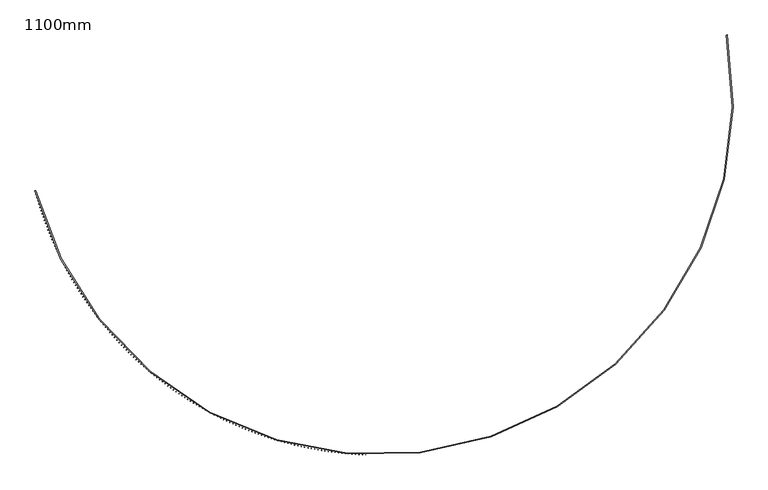
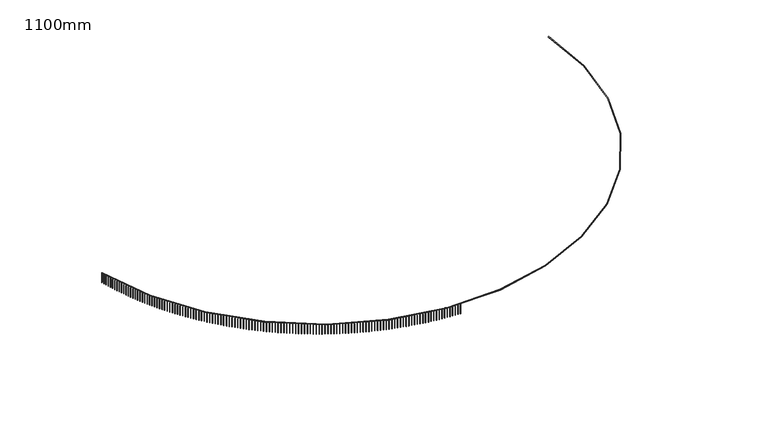
"""IFC4 building model written with IfcOpenShell, lengths in millimetres: railing geometry, 1100mm."""

from ifc_helpers import new_model, si_unit, point, frame, frame_2d, origin, place, context, project, spatial, polyline, circle_curve, trimmed, segment, composite_curve, outline, extrude, source, transform, mapped, element, save


def railing_1100mm_daf9e119(model_context):
    return source(origin(), model_context, "Body", "SweptSolid", [
        extrude(outline(composite_curve([segment(trimmed(circle_curve(frame_2d((-9136.8690583, -54154.7608855)), 28388.8165606), [point((-36585.4829825, -61400.3457034))], [point((18767.7276518, -48933.8042532))], True, "CARTESIAN"), True, "CONTINUOUS"), segment(polyline([(18767.7276518, -48933.8042532), (18816.8748162, -48924.6088071)]), True, "CONTINUOUS"), segment(trimmed(circle_curve(frame_2d((-9136.8690583, -54154.7608855)), 28438.8165606), [point((18816.8748162, -48924.6088071))], [point((-36633.8270441, -61413.1070399))], False, "CARTESIAN"), True, "CONTINUOUS"), segment(polyline([(-36633.8270441, -61413.1070399), (-36585.4829825, -61400.3457034)]), True, "CONTINUOUS")], self_intersect=False)), frame((0.0, 0.0, 32050.0), z_axis=(0.0, 0.0, 1.0), x_axis=(1.0, 0.0, 0.0)), (0.0, 0.0, 1.0), 50.0),
        extrude(outline(polyline([(-36591.3081731, -61427.223434), (-36615.4775056, -61433.6143155), (-36621.8683871, -61409.444983), (-36597.6990545, -61403.0541015), (-36591.3081731, -61427.223434)])), frame((0.0, 0.0, 31000.0), z_axis=(0.0, 0.0, 1.0), x_axis=(1.0, 0.0, 0.0)), (0.0, 0.0, 1.0), 1050.0),
        extrude(outline(polyline([(-36519.6377071, -61692.593449), (-36543.7440551, -61699.2179477), (-36550.3685538, -61675.1115996), (-36526.2622058, -61668.4871009), (-36519.6377071, -61692.593449)])), frame((0.0, 0.0, 31000.0), z_axis=(0.0, 0.0, 1.0), x_axis=(1.0, 0.0, 0.0)), (0.0, 0.0, 1.0), 1050.0),
        extrude(outline(polyline([(-36445.4022833, -61957.2573914), (-36469.4433889, -61964.1148868), (-36476.3008843, -61940.0737813), (-36452.2597788, -61933.2162858), (-36445.4022833, -61957.2573914)])), frame((0.0, 0.0, 31000.0), z_axis=(0.0, 0.0, 1.0), x_axis=(1.0, 0.0, 0.0)), (0.0, 0.0, 1.0), 1050.0),
        extrude(outline(polyline([(-36368.6088556, -62221.19047), (-36392.5824667, -62228.2803198), (-36399.6723165, -62204.3067087), (-36375.6987054, -62197.2168589), (-36368.6088556, -62221.19047)])), frame((0.0, 0.0, 31000.0), z_axis=(0.0, 0.0, 1.0), x_axis=(1.0, 0.0, 0.0)), (0.0, 0.0, 1.0), 1050.0),
        extrude(outline(polyline([(-36289.264617, -62484.3679621), (-36313.1684881, -62491.6895022), (-36320.4900282, -62467.7856312), (-36296.5861571, -62460.4640911), (-36289.264617, -62484.3679621)])), frame((0.0, 0.0, 31000.0), z_axis=(0.0, 0.0, 1.0), x_axis=(1.0, 0.0, 0.0)), (0.0, 0.0, 1.0), 1050.0),
        extrude(outline(polyline([(-36207.3769999, -62746.7652157), (-36231.2088918, -62754.3177603), (-36238.7614364, -62730.4858684), (-36214.9295445, -62722.9333238), (-36207.3769999, -62746.7652157)])), frame((0.0, 0.0, 31000.0), z_axis=(0.0, 0.0, 1.0), x_axis=(1.0, 0.0, 0.0)), (0.0, 0.0, 1.0), 1050.0),
        extrude(outline(polyline([(-36122.9536747, -63008.357652), (-36146.7113551, -63016.1404936), (-36154.4941967, -62992.3828132), (-36130.7365163, -62984.5999716), (-36122.9536747, -63008.357652)])), frame((0.0, 0.0, 31000.0), z_axis=(0.0, 0.0, 1.0), x_axis=(1.0, 0.0, 0.0)), (0.0, 0.0, 1.0), 1050.0),
        extrude(outline(polyline([(-36036.0025494, -63269.1207673), (-36059.6837929, -63277.1331769), (-36067.6962025, -63253.4519335), (-36044.014959, -63245.4395239), (-36036.0025494, -63269.1207673)])), frame((0.0, 0.0, 31000.0), z_axis=(0.0, 0.0, 1.0), x_axis=(1.0, 0.0, 0.0)), (0.0, 0.0, 1.0), 1050.0),
        extrude(outline(polyline([(-35946.5317687, -63529.030136), (-35970.1343571, -63537.2713631), (-35978.3755841, -63513.6687748), (-35954.7729958, -63505.4275477), (-35946.5317687, -63529.030136)])), frame((0.0, 0.0, 31000.0), z_axis=(0.0, 0.0, 1.0), x_axis=(1.0, 0.0, 0.0)), (0.0, 0.0, 1.0), 1050.0),
        extrude(outline(polyline([(-35854.5497134, -63788.0614122), (-35878.0714358, -63796.5306848), (-35886.5407084, -63773.0089625), (-35863.018986, -63764.5396899), (-35854.5497134, -63788.0614122)])), frame((0.0, 0.0, 31000.0), z_axis=(0.0, 0.0, 1.0), x_axis=(1.0, 0.0, 0.0)), (0.0, 0.0, 1.0), 1050.0),
        extrude(outline(polyline([(-35760.0649996, -64046.1903323), (-35783.5036526, -64054.8868571), (-35792.2001774, -64031.448204), (-35768.7615243, -64022.7516793), (-35760.0649996, -64046.1903323)])), frame((0.0, 0.0, 31000.0), z_axis=(0.0, 0.0, 1.0), x_axis=(1.0, 0.0, 0.0)), (0.0, 0.0, 1.0), 1050.0),
        extrude(outline(polyline([(-35663.0864775, -64303.3927172), (-35686.4398658, -64312.3156796), (-35695.3628281, -64288.9622913), (-35672.0094399, -64280.039329), (-35663.0864775, -64303.3927172)])), frame((0.0, 0.0, 31000.0), z_axis=(0.0, 0.0, 1.0), x_axis=(1.0, 0.0, 0.0)), (0.0, 0.0, 1.0), 1050.0),
        extrude(outline(polyline([(-35563.6232314, -64559.6444747), (-35586.8891673, -64568.7930388), (-35596.0377314, -64545.5271029), (-35572.7717955, -64536.3785387), (-35563.6232314, -64559.6444747)])), frame((0.0, 0.0, 31000.0), z_axis=(0.0, 0.0, 1.0), x_axis=(1.0, 0.0, 0.0)), (0.0, 0.0, 1.0), 1050.0),
        extrude(outline(polyline([(-35461.6845778, -64814.9216014), (-35484.8608821, -64824.2949104), (-35494.234191, -64801.1186061), (-35471.0578868, -64791.7452972), (-35461.6845778, -64814.9216014)])), frame((0.0, 0.0, 31000.0), z_axis=(0.0, 0.0, 1.0), x_axis=(1.0, 0.0, 0.0)), (0.0, 0.0, 1.0), 1050.0),
        extrude(outline(polyline([(-35357.2800656, -65069.2001856), (-35380.3645673, -65078.7973613), (-35389.961743, -65055.7128597), (-35366.8772413, -65046.1156839), (-35357.2800656, -65069.2001856)])), frame((0.0, 0.0, 31000.0), z_axis=(0.0, 0.0, 1.0), x_axis=(1.0, 0.0, 0.0)), (0.0, 0.0, 1.0), 1050.0),
        extrude(outline(polyline([(-35250.4194743, -65322.4564087), (-35273.410011, -65332.2765523), (-35283.2301546, -65309.2860156), (-35260.2396179, -65299.465872), (-35250.4194743, -65322.4564087)])), frame((0.0, 0.0, 31000.0), z_axis=(0.0, 0.0, 1.0), x_axis=(1.0, 0.0, 0.0)), (0.0, 0.0, 1.0), 1050.0),
        extrude(outline(polyline([(-35141.1128135, -65574.6665482), (-35164.0072318, -65584.7087398), (-35174.0494234, -65561.8143215), (-35151.1550051, -65551.7721299), (-35141.1128135, -65574.6665482)])), frame((0.0, 0.0, 31000.0), z_axis=(0.0, 0.0, 1.0), x_axis=(1.0, 0.0, 0.0)), (0.0, 0.0, 1.0), 1050.0),
        extrude(outline(polyline([(-35029.3703222, -65825.8069794), (-35052.1664775, -65836.0702783), (-35062.4297764, -65813.274123), (-35039.6336211, -65803.0108241), (-35029.3703222, -65825.8069794)])), frame((0.0, 0.0, 31000.0), z_axis=(0.0, 0.0, 1.0), x_axis=(1.0, 0.0, 0.0)), (0.0, 0.0, 1.0), 1050.0),
        extrude(outline(polyline([(-34915.2024673, -66075.8541778), (-34937.8982242, -66086.3376226), (-34948.3816691, -66063.6418657), (-34925.6859121, -66053.1584208), (-34915.2024673, -66075.8541778)])), frame((0.0, 0.0, 31000.0), z_axis=(0.0, 0.0, 1.0), x_axis=(1.0, 0.0, 0.0)), (0.0, 0.0, 1.0), 1050.0),
        extrude(outline(polyline([(-34798.6199429, -66324.7847214), (-34821.2131756, -66335.4873302), (-34831.9157844, -66312.8940975), (-34809.3225517, -66302.1914887), (-34798.6199429, -66324.7847214)])), frame((0.0, 0.0, 31000.0), z_axis=(0.0, 0.0, 1.0), x_axis=(1.0, 0.0, 0.0)), (0.0, 0.0, 1.0), 1050.0),
        extrude(outline(polyline([(-34679.6336693, -66572.5752928), (-34702.1222615, -66583.496063), (-34713.0430317, -66561.0074709), (-34690.5544396, -66550.0867006), (-34679.6336693, -66572.5752928)])), frame((0.0, 0.0, 31000.0), z_axis=(0.0, 0.0, 1.0), x_axis=(1.0, 0.0, 0.0)), (0.0, 0.0, 1.0), 1050.0),
        extrude(outline(polyline([(-34558.2547922, -66819.2026812), (-34580.6366373, -66830.3405899), (-34591.774546, -66807.9587449), (-34569.3927009, -66796.8208361), (-34558.2547922, -66819.2026812)])), frame((0.0, 0.0, 31000.0), z_axis=(0.0, 0.0, 1.0), x_axis=(1.0, 0.0, 0.0)), (0.0, 0.0, 1.0), 1050.0),
        extrude(outline(polyline([(-34434.4946811, -67064.643785), (-34456.7676825, -67075.9977889), (-34468.1216865, -67053.7247874), (-34445.848685, -67042.3707835), (-34434.4946811, -67064.643785)])), frame((0.0, 0.0, 31000.0), z_axis=(0.0, 0.0, 1.0), x_axis=(1.0, 0.0, 0.0)), (0.0, 0.0, 1.0), 1050.0),
        extrude(outline(polyline([(-34308.3649286, -67308.8756136), (-34330.5270002, -67320.4446491), (-34342.0960358, -67298.2825776), (-34319.9339642, -67286.713542), (-34308.3649286, -67308.8756136)])), frame((0.0, 0.0, 31000.0), z_axis=(0.0, 0.0, 1.0), x_axis=(1.0, 0.0, 0.0)), (0.0, 0.0, 1.0), 1050.0),
        extrude(outline(polyline([(-34179.8773495, -67551.8752896), (-34201.9264152, -67563.6582732), (-34213.7093987, -67541.6092075), (-34191.6603331, -67529.8262239), (-34179.8773495, -67551.8752896)])), frame((0.0, 0.0, 31000.0), z_axis=(0.0, 0.0, 1.0), x_axis=(1.0, 0.0, 0.0)), (0.0, 0.0, 1.0), 1050.0),
        extrude(outline(polyline([(-34049.0439792, -67793.6200511), (-34070.9779736, -67805.615879), (-34082.9738015, -67783.6818845), (-34061.039807, -67771.6860567), (-34049.0439792, -67793.6200511)])), frame((0.0, 0.0, 31000.0), z_axis=(0.0, 0.0, 1.0), x_axis=(1.0, 0.0, 0.0)), (0.0, 0.0, 1.0), 1050.0),
        extrude(outline(polyline([(-33915.8770729, -68034.0872539), (-33937.6939416, -68046.2948024), (-33949.9014901, -68024.4779337), (-33928.0846213, -68012.2703852), (-33915.8770729, -68034.0872539)])), frame((0.0, 0.0, 31000.0), z_axis=(0.0, 0.0, 1.0), x_axis=(1.0, 0.0, 0.0)), (0.0, 0.0, 1.0), 1050.0),
        extrude(outline(polyline([(-33780.3891045, -68273.2543732), (-33802.0868038, -68285.6724988), (-33814.5049294, -68263.9747995), (-33792.80723, -68251.5566739), (-33780.3891045, -68273.2543732)])), frame((0.0, 0.0, 31000.0), z_axis=(0.0, 0.0, 1.0), x_axis=(1.0, 0.0, 0.0)), (0.0, 0.0, 1.0), 1050.0),
        extrude(outline(polyline([(-33642.5927651, -68511.0990061), (-33664.1692626, -68523.7265456), (-33676.7968021, -68502.1500481), (-33655.2203046, -68489.5225086), (-33642.5927651, -68511.0990061)])), frame((0.0, 0.0, 31000.0), z_axis=(0.0, 0.0, 1.0), x_axis=(1.0, 0.0, 0.0)), (0.0, 0.0, 1.0), 1050.0),
        extrude(outline(polyline([(-33502.5009623, -68747.5988736), (-33523.9542369, -68760.4346442), (-33536.7900075, -68738.9813695), (-33515.3367329, -68726.1455989), (-33502.5009623, -68747.5988736)])), frame((0.0, 0.0, 31000.0), z_axis=(0.0, 0.0, 1.0), x_axis=(1.0, 0.0, 0.0)), (0.0, 0.0, 1.0), 1050.0),
        extrude(outline(polyline([(-33360.1268185, -68982.7318226), (-33381.4548607, -68995.7746219), (-33394.49766, -68974.4465797), (-33373.1696178, -68961.4037804), (-33360.1268185, -68982.7318226)])), frame((0.0, 0.0, 31000.0), z_axis=(0.0, 0.0, 1.0), x_axis=(1.0, 0.0, 0.0)), (0.0, 0.0, 1.0), 1050.0),
        extrude(outline(polyline([(-33215.4836699, -69216.4758281), (-33236.6844819, -69229.7244345), (-33249.9330883, -69208.5236225), (-33228.7322763, -69195.2750161), (-33215.4836699, -69216.4758281)])), frame((0.0, 0.0, 31000.0), z_axis=(0.0, 0.0, 1.0), x_axis=(1.0, 0.0, 0.0)), (0.0, 0.0, 1.0), 1050.0),
        extrude(outline(polyline([(-33068.5850654, -69448.8089952), (-33089.6566613, -69462.2621676), (-33103.1098337, -69441.1905717), (-33082.0382378, -69427.7373993), (-33068.5850654, -69448.8089952)])), frame((0.0, 0.0, 31000.0), z_axis=(0.0, 0.0, 1.0), x_axis=(1.0, 0.0, 0.0)), (0.0, 0.0, 1.0), 1050.0),
        extrude(outline(polyline([(-32919.444765, -69679.7095611), (-32940.385171, -69693.3660394), (-32954.0416492, -69672.4256334), (-32933.1012433, -69658.7691552), (-32919.444765, -69679.7095611)])), frame((0.0, 0.0, 31000.0), z_axis=(0.0, 0.0, 1.0), x_axis=(1.0, 0.0, 0.0)), (0.0, 0.0, 1.0), 1050.0),
        extrude(outline(polyline([(-32768.0767388, -69909.1558973), (-32788.8839934, -69923.0144022), (-32802.7424983, -69902.2071476), (-32781.9352437, -69888.3486427), (-32768.0767388, -69909.1558973)])), frame((0.0, 0.0, 31000.0), z_axis=(0.0, 0.0, 1.0), x_axis=(1.0, 0.0, 0.0)), (0.0, 0.0, 1.0), 1050.0),
        extrude(outline(polyline([(-32614.4951655, -70137.1265113), (-32635.1673196, -70151.1857448), (-32649.226553, -70130.5135906), (-32628.5543989, -70116.4543572), (-32614.4951655, -70137.1265113)])), frame((0.0, 0.0, 31000.0), z_axis=(0.0, 0.0, 1.0), x_axis=(1.0, 0.0, 0.0)), (0.0, 0.0, 1.0), 1050.0),
        extrude(outline(polyline([(-32458.7144311, -70363.6000492), (-32479.2495484, -70377.8586942), (-32493.5081934, -70357.3235769), (-32472.9730761, -70343.0649319), (-32458.7144311, -70363.6000492)])), frame((0.0, 0.0, 31000.0), z_axis=(0.0, 0.0, 1.0), x_axis=(1.0, 0.0, 0.0)), (0.0, 0.0, 1.0), 1050.0),
        extrude(outline(polyline([(-32300.7491278, -70588.5552969), (-32321.1452847, -70603.0120178), (-32335.6020057, -70582.6158609), (-32315.2058487, -70568.1591399), (-32300.7491278, -70588.5552969)])), frame((0.0, 0.0, 31000.0), z_axis=(0.0, 0.0, 1.0), x_axis=(1.0, 0.0, 0.0)), (0.0, 0.0, 1.0), 1050.0),
        extrude(outline(polyline([(-32140.6140521, -70811.9711828), (-32160.8693382, -70826.6246255), (-32175.522781, -70806.3693394), (-32155.2674948, -70791.7158967), (-32140.6140521, -70811.9711828)])), frame((0.0, 0.0, 31000.0), z_axis=(0.0, 0.0, 1.0), x_axis=(1.0, 0.0, 0.0)), (0.0, 0.0, 1.0), 1050.0),
        extrude(outline(polyline([(-31978.3242041, -71033.8267794), (-31998.436722, -71048.6755714), (-32013.2855139, -71028.5630535), (-31993.172996, -71013.7142615), (-31978.3242041, -71033.8267794)])), frame((0.0, 0.0, 31000.0), z_axis=(0.0, 0.0, 1.0), x_axis=(1.0, 0.0, 0.0)), (0.0, 0.0, 1.0), 1050.0),
        extrude(outline(polyline([(-31813.8947854, -71254.1013055), (-31833.8626512, -71269.1440558), (-31848.9054015, -71249.17619), (-31828.9375357, -71234.1334397), (-31813.8947854, -71254.1013055)])), frame((0.0, 0.0, 31000.0), z_axis=(0.0, 0.0, 1.0), x_axis=(1.0, 0.0, 0.0)), (0.0, 0.0, 1.0), 1050.0),
        extrude(outline(polyline([(-31647.3411984, -71472.7741277), (-31667.1625417, -71488.0094272), (-31682.3978412, -71468.188084), (-31662.5764979, -71452.9527845), (-31647.3411984, -71472.7741277)])), frame((0.0, 0.0, 31000.0), z_axis=(0.0, 0.0, 1.0), x_axis=(1.0, 0.0, 0.0)), (0.0, 0.0, 1.0), 1050.0),
        extrude(outline(polyline([(-31478.6790441, -71689.8247629), (-31498.3520082, -71705.2511846), (-31513.7784298, -71685.5782205), (-31494.1054658, -71670.1517989), (-31478.6790441, -71689.8247629)])), frame((0.0, 0.0, 31000.0), z_axis=(0.0, 0.0, 1.0), x_axis=(1.0, 0.0, 0.0)), (0.0, 0.0, 1.0), 1050.0),
        extrude(outline(polyline([(-31307.9241212, -71905.2328799), (-31327.4468633, -71920.8489787), (-31343.0629621, -71901.3262366), (-31323.54022, -71885.7101378), (-31307.9241212, -71905.2328799)])), frame((0.0, 0.0, 31000.0), z_axis=(0.0, 0.0, 1.0), x_axis=(1.0, 0.0, 0.0)), (0.0, 0.0, 1.0), 1050.0),
        extrude(outline(polyline([(-31135.0924245, -72118.9783012), (-31154.4631159, -72134.7826144), (-31170.267429, -72115.411923), (-31150.8967377, -72099.6076098), (-31135.0924245, -72118.9783012)])), frame((0.0, 0.0, 31000.0), z_axis=(0.0, 0.0, 1.0), x_axis=(1.0, 0.0, 0.0)), (0.0, 0.0, 1.0), 1050.0),
        extrude(outline(polyline([(-30960.2001431, -72331.0410053), (-30979.4169693, -72347.0320524), (-30995.4080165, -72327.8152262), (-30976.1911902, -72311.824179), (-30960.2001431, -72331.0410053)])), frame((0.0, 0.0, 31000.0), z_axis=(0.0, 0.0, 1.0), x_axis=(1.0, 0.0, 0.0)), (0.0, 0.0, 1.0), 1050.0),
        extrude(outline(polyline([(-30783.2636593, -72541.401128), (-30802.3248203, -72557.5774112), (-30818.5011036, -72538.5162502), (-30799.4399425, -72522.339967), (-30783.2636593, -72541.401128)])), frame((0.0, 0.0, 31000.0), z_axis=(0.0, 0.0, 1.0), x_axis=(1.0, 0.0, 0.0)), (0.0, 0.0, 1.0), 1050.0),
        extrude(outline(polyline([(-30604.2995468, -72750.0389649), (-30623.2032571, -72766.398969), (-30639.5632613, -72747.4952586), (-30620.6595509, -72731.1352545), (-30604.2995468, -72750.0389649)])), frame((0.0, 0.0, 31000.0), z_axis=(0.0, 0.0, 1.0), x_axis=(1.0, 0.0, 0.0)), (0.0, 0.0, 1.0), 1050.0),
        extrude(outline(polyline([(-30423.3245693, -72956.9349727), (-30442.0690583, -72973.4771652), (-30458.6112508, -72954.7326762), (-30439.8667618, -72938.1904837), (-30423.3245693, -72956.9349727)])), frame((0.0, 0.0, 31000.0), z_axis=(0.0, 0.0, 1.0), x_axis=(1.0, 0.0, 0.0)), (0.0, 0.0, 1.0), 1050.0),
        extrude(outline(polyline([(-30240.3556788, -73162.0697714), (-30258.9391906, -73178.7926028), (-30275.662022, -73160.2090911), (-30257.0785102, -73143.4862597), (-30240.3556788, -73162.0697714)])), frame((0.0, 0.0, 31000.0), z_axis=(0.0, 0.0, 1.0), x_axis=(1.0, 0.0, 0.0)), (0.0, 0.0, 1.0), 1050.0),
        extrude(outline(polyline([(-30055.4100141, -73365.424146), (-30073.830808, -73382.3260498), (-30090.7327118, -73363.905256), (-30072.3119179, -73347.0033521), (-30055.4100141, -73365.424146)])), frame((0.0, 0.0, 31000.0), z_axis=(0.0, 0.0, 1.0), x_axis=(1.0, 0.0, 0.0)), (0.0, 0.0, 1.0), 1050.0),
        extrude(outline(polyline([(-29868.5048991, -73566.979048), (-29886.7612496, -73584.0584411), (-29903.8406427, -73565.8020907), (-29885.5842922, -73548.7226976), (-29868.5048991, -73566.979048)])), frame((0.0, 0.0, 31000.0), z_axis=(0.0, 0.0, 1.0), x_axis=(1.0, 0.0, 0.0)), (0.0, 0.0, 1.0), 1050.0),
        extrude(outline(polyline([(-29679.6578414, -73766.7155978), (-29697.7480384, -73783.9708803), (-29715.0033209, -73765.8806834), (-29696.9131239, -73748.6254009), (-29679.6578414, -73766.7155978)])), frame((0.0, 0.0, 31000.0), z_axis=(0.0, 0.0, 1.0), x_axis=(1.0, 0.0, 0.0)), (0.0, 0.0, 1.0), 1050.0),
        extrude(outline(polyline([(-29488.8865303, -73964.615086), (-29506.8088793, -73982.0446416), (-29524.2384349, -73964.1222926), (-29506.3160859, -73946.692737), (-29488.8865303, -73964.615086)])), frame((0.0, 0.0, 31000.0), z_axis=(0.0, 0.0, 1.0), x_axis=(1.0, 0.0, 0.0)), (0.0, 0.0, 1.0), 1050.0),
        extrude(outline(polyline([(-29296.2088356, -74160.6589751), (-29313.9616577, -74178.2611712), (-29331.5638537, -74160.508349), (-29313.8110316, -74142.906153), (-29296.2088356, -74160.6589751)])), frame((0.0, 0.0, 31000.0), z_axis=(0.0, 0.0, 1.0), x_axis=(1.0, 0.0, 0.0)), (0.0, 0.0, 1.0), 1050.0),
        extrude(outline(polyline([(-29101.6428053, -74354.8289017), (-29119.2244377, -74372.6020894), (-29136.9976254, -74355.020457), (-29119.415993, -74337.2472693), (-29101.6428053, -74354.8289017)])), frame((0.0, 0.0, 31000.0), z_axis=(0.0, 0.0, 1.0), x_axis=(1.0, 0.0, 0.0)), (0.0, 0.0, 1.0), 1050.0),
        extrude(outline(polyline([(-28905.2066646, -74547.1066778), (-28922.6154604, -74565.0491923), (-28940.5579749, -74547.6403965), (-28923.1491791, -74529.6978819), (-28905.2066646, -74547.1066778)])), frame((0.0, 0.0, 31000.0), z_axis=(0.0, 0.0, 1.0), x_axis=(1.0, 0.0, 0.0)), (0.0, 0.0, 1.0), 1050.0),
        extrude(outline(polyline([(-28706.9188137, -74737.4742925), (-28724.1531423, -74755.5844532), (-28742.263303, -74738.3501247), (-28725.0289744, -74720.239964), (-28706.9188137, -74737.4742925)])), frame((0.0, 0.0, 31000.0), z_axis=(0.0, 0.0, 1.0), x_axis=(1.0, 0.0, 0.0)), (0.0, 0.0, 1.0), 1050.0),
        extrude(outline(polyline([(-28506.7978265, -74925.9139142), (-28523.8560734, -74944.1900246), (-28542.1321838, -74927.1317777), (-28525.0739369, -74908.8556673), (-28506.7978265, -74925.9139142)])), frame((0.0, 0.0, 31000.0), z_axis=(0.0, 0.0, 1.0), x_axis=(1.0, 0.0, 0.0)), (0.0, 0.0, 1.0), 1050.0),
        extrude(outline(polyline([(-28304.8624483, -75112.4078915), (-28321.7430157, -75130.8482397), (-28340.183364, -75113.9676723), (-28323.3027966, -75095.5273241), (-28304.8624483, -75112.4078915)])), frame((0.0, 0.0, 31000.0), z_axis=(0.0, 0.0, 1.0), x_axis=(1.0, 0.0, 0.0)), (0.0, 0.0, 1.0), 1050.0),
        extrude(outline(polyline([(-28101.1315945, -75296.9387554), (-28117.8329012, -75315.5416142), (-28136.43576, -75298.8403075), (-28119.7344533, -75280.2374487), (-28101.1315945, -75296.9387554)])), frame((0.0, 0.0, 31000.0), z_axis=(0.0, 0.0, 1.0), x_axis=(1.0, 0.0, 0.0)), (0.0, 0.0, 1.0), 1050.0),
        extrude(outline(polyline([(-27895.6243487, -75479.489221), (-27912.1448303, -75498.2528477), (-27930.908457, -75481.7323661), (-27914.3879754, -75462.9687394), (-27895.6243487, -75479.489221)])), frame((0.0, 0.0, 31000.0), z_axis=(0.0, 0.0, 1.0), x_axis=(1.0, 0.0, 0.0)), (0.0, 0.0, 1.0), 1050.0),
        extrude(outline(polyline([(-27688.3599609, -75660.0421884), (-27704.6980699, -75678.9648255), (-27723.6207069, -75662.6267165), (-27707.282598, -75643.7040795), (-27688.3599609, -75660.0421884)])), frame((0.0, 0.0, 31000.0), z_axis=(0.0, 0.0, 1.0), x_axis=(1.0, 0.0, 0.0)), (0.0, 0.0, 1.0), 1050.0),
        extrude(outline(polyline([(-27479.3578455, -75838.5807454), (-27495.5120515, -75857.6606204), (-27514.5919265, -75841.5064144), (-27498.4377205, -75822.4265394), (-27479.3578455, -75838.5807454)])), frame((0.0, 0.0, 31000.0), z_axis=(0.0, 0.0, 1.0), x_axis=(1.0, 0.0, 0.0)), (0.0, 0.0, 1.0), 1050.0),
        extrude(outline(polyline([(-27268.63758, -76015.0881681), (-27284.6063699, -76034.3234937), (-27303.8416955, -76018.3547039), (-27287.8729057, -75999.1193782), (-27268.63758, -76015.0881681)])), frame((0.0, 0.0, 31000.0), z_axis=(0.0, 0.0, 1.0), x_axis=(1.0, 0.0, 0.0)), (0.0, 0.0, 1.0), 1050.0),
        extrude(outline(polyline([(-27056.2189027, -76189.5479229), (-27072.0007805, -76208.9368974), (-27091.389755, -76193.1550195), (-27075.6078772, -76173.766045), (-27056.2189027, -76189.5479229)])), frame((0.0, 0.0, 31000.0), z_axis=(0.0, 0.0, 1.0), x_axis=(1.0, 0.0, 0.0)), (0.0, 0.0, 1.0), 1050.0),
        extrude(outline(polyline([(-26842.1217108, -76361.9436681), (-26857.7151983, -76381.4844753), (-26877.2560055, -76365.8909877), (-26861.662518, -76346.3501805), (-26842.1217108, -76361.9436681)])), frame((0.0, 0.0, 31000.0), z_axis=(0.0, 0.0, 1.0), x_axis=(1.0, 0.0, 0.0)), (0.0, 0.0, 1.0), 1050.0),
        extrude(outline(polyline([(-26626.366059, -76532.2592553), (-26641.7696956, -76551.9500648), (-26661.4605051, -76536.5464281), (-26646.0568685, -76516.8556187), (-26626.366059, -76532.2592553)])), frame((0.0, 0.0, 31000.0), z_axis=(0.0, 0.0, 1.0), x_axis=(1.0, 0.0, 0.0)), (0.0, 0.0, 1.0), 1050.0),
        extrude(outline(polyline([(-26408.9721572, -76700.478731), (-26424.1845, -76720.3176983), (-26444.0234674, -76705.1053555), (-26428.8111245, -76685.2663881), (-26408.9721572, -76700.478731)])), frame((0.0, 0.0, 31000.0), z_axis=(0.0, 0.0, 1.0), x_axis=(1.0, 0.0, 0.0)), (0.0, 0.0, 1.0), 1050.0),
        extrude(outline(polyline([(-26189.9603688, -76866.5863379), (-26204.9799929, -76886.5716048), (-26224.9652598, -76871.5519807), (-26209.9456357, -76851.5667138), (-26189.9603688, -76866.5863379)])), frame((0.0, 0.0, 31000.0), z_axis=(0.0, 0.0, 1.0), x_axis=(1.0, 0.0, 0.0)), (0.0, 0.0, 1.0), 1050.0),
        extrude(outline(polyline([(-25969.3512088, -77030.5665168), (-25984.1767073, -77050.6962111), (-26004.3064016, -77035.8707127), (-25989.4809032, -77015.7410183), (-25969.3512088, -77030.5665168)])), frame((0.0, 0.0, 31000.0), z_axis=(0.0, 0.0, 1.0), x_axis=(1.0, 0.0, 0.0)), (0.0, 0.0, 1.0), 1050.0),
        extrude(outline(polyline([(-25747.1653417, -77192.4039074), (-25761.7953258, -77212.6761437), (-25782.0675621, -77198.0461596), (-25767.437578, -77177.7739233), (-25747.1653417, -77192.4039074)])), frame((0.0, 0.0, 31000.0), z_axis=(0.0, 0.0, 1.0), x_axis=(1.0, 0.0, 0.0)), (0.0, 0.0, 1.0), 1050.0),
        extrude(outline(polyline([(-25523.4235798, -77352.0833504), (-25537.8566792, -77372.4962297), (-25558.2695585, -77358.0631304), (-25543.8364591, -77337.650251), (-25523.4235798, -77352.0833504)])), frame((0.0, 0.0, 31000.0), z_axis=(0.0, 0.0, 1.0), x_axis=(1.0, 0.0, 0.0)), (0.0, 0.0, 1.0), 1050.0),
        extrude(outline(polyline([(-25298.1468811, -77509.5898885), (-25312.3817438, -77530.1414988), (-25332.933354, -77515.9066362), (-25318.6984914, -77495.3550259), (-25298.1468811, -77509.5898885)])), frame((0.0, 0.0, 31000.0), z_axis=(0.0, 0.0, 1.0), x_axis=(1.0, 0.0, 0.0)), (0.0, 0.0, 1.0), 1050.0),
        extrude(outline(polyline([(-25071.3563474, -77664.9087681), (-25085.3916399, -77685.5971842), (-25106.0800561, -77671.5618917), (-25092.0447635, -77650.8734755), (-25071.3563474, -77664.9087681)])), frame((0.0, 0.0, 31000.0), z_axis=(0.0, 0.0, 1.0), x_axis=(1.0, 0.0, 0.0)), (0.0, 0.0, 1.0), 1050.0),
        extrude(outline(polyline([(-24843.0732222, -77818.0254403), (-24856.90763, -77838.8487244), (-24877.7309141, -77825.0143166), (-24863.8965063, -77804.1910325), (-24843.0732222, -77818.0254403)])), frame((0.0, 0.0, 31000.0), z_axis=(0.0, 0.0, 1.0), x_axis=(1.0, 0.0, 0.0)), (0.0, 0.0, 1.0), 1050.0),
        extrude(outline(polyline([(-24613.318889, -77968.9255625), (-24626.9511161, -77989.8817641), (-24647.9073176, -77976.249537), (-24634.2750905, -77955.2933354), (-24613.318889, -77968.9255625)])), frame((0.0, 0.0, 31000.0), z_axis=(0.0, 0.0, 1.0), x_axis=(1.0, 0.0, 0.0)), (0.0, 0.0, 1.0), 1050.0),
        extrude(outline(polyline([(-24382.1148689, -78117.595), (-24395.5436384, -78138.6821561), (-24416.6307944, -78125.2533865), (-24403.2020249, -78104.1662305), (-24382.1148689, -78117.595)])), frame((0.0, 0.0, 31000.0), z_axis=(0.0, 0.0, 1.0), x_axis=(1.0, 0.0, 0.0)), (0.0, 0.0, 1.0), 1050.0),
        extrude(outline(polyline([(-24149.482819, -78264.0198268), (-24162.7068731, -78285.235962), (-24183.9230083, -78272.011908), (-24170.6989542, -78250.7957727), (-24149.482819, -78264.0198268)])), frame((0.0, 0.0, 31000.0), z_axis=(0.0, 0.0, 1.0), x_axis=(1.0, 0.0, 0.0)), (0.0, 0.0, 1.0), 1050.0),
        extrude(outline(polyline([(-23915.44453, -78408.1863272), (-23928.4626299, -78429.5294543), (-23949.805757, -78416.5113544), (-23936.7876571, -78395.1682273), (-23915.44453, -78408.1863272)])), frame((0.0, 0.0, 31000.0), z_axis=(0.0, 0.0, 1.0), x_axis=(1.0, 0.0, 0.0)), (0.0, 0.0, 1.0), 1050.0),
        extrude(outline(polyline([(-23680.0219244, -78550.0809969), (-23692.8328507, -78571.5491167), (-23714.3009705, -78558.7381904), (-23701.4900442, -78537.2700706), (-23680.0219244, -78550.0809969)])), frame((0.0, 0.0, 31000.0), z_axis=(0.0, 0.0, 1.0), x_axis=(1.0, 0.0, 0.0)), (0.0, 0.0, 1.0), 1050.0),
        extrude(outline(polyline([(-23443.2370544, -78689.6905448), (-23455.8396071, -78711.2816463), (-23477.4307086, -78698.6790937), (-23464.8281559, -78677.0879921), (-23443.2370544, -78689.6905448)])), frame((0.0, 0.0, 31000.0), z_axis=(0.0, 0.0, 1.0), x_axis=(1.0, 0.0, 0.0)), (0.0, 0.0, 1.0), 1050.0),
        extrude(outline(polyline([(-23205.1120996, -78827.0018935), (-23217.5050983, -78848.7139543), (-23239.2171591, -78836.3209557), (-23226.8241605, -78814.6088949), (-23205.1120996, -78827.0018935)])), frame((0.0, 0.0, 31000.0), z_axis=(0.0, 0.0, 1.0), x_axis=(1.0, 0.0, 0.0)), (0.0, 0.0, 1.0), 1050.0),
        extrude(outline(polyline([(-22965.6693655, -78962.0021809), (-22977.8516492, -78983.8331673), (-22999.6826355, -78971.6508836), (-22987.5003518, -78949.8198973), (-22965.6693655, -78962.0021809)])), frame((0.0, 0.0, 31000.0), z_axis=(0.0, 0.0, 1.0), x_axis=(1.0, 0.0, 0.0)), (0.0, 0.0, 1.0), 1050.0),
        extrude(outline(polyline([(-22724.9312807, -79094.6787616), (-22736.9017083, -79116.6266285), (-22758.8495752, -79104.6562009), (-22746.8791476, -79082.708334), (-22724.9312807, -79094.6787616)])), frame((0.0, 0.0, 31000.0), z_axis=(0.0, 0.0, 1.0), x_axis=(1.0, 0.0, 0.0)), (0.0, 0.0, 1.0), 1050.0),
        extrude(outline(polyline([(-22482.9203953, -79225.0192076), (-22494.6778455, -79247.0818993), (-22516.7405372, -79235.324449), (-22504.9830869, -79213.2617573), (-22482.9203953, -79225.0192076)])), frame((0.0, 0.0, 31000.0), z_axis=(0.0, 0.0, 1.0), x_axis=(1.0, 0.0, 0.0)), (0.0, 0.0, 1.0), 1050.0),
        extrude(outline(polyline([(-22239.6593785, -79353.0113099), (-22251.2027501, -79375.1867597), (-22273.3781998, -79363.6433881), (-22261.8348282, -79341.4679383), (-22239.6593785, -79353.0113099)])), frame((0.0, 0.0, 31000.0), z_axis=(0.0, 0.0, 1.0), x_axis=(1.0, 0.0, 0.0)), (0.0, 0.0, 1.0), 1050.0),
        extrude(outline(polyline([(-21995.1710167, -79478.6430794), (-22006.4992284, -79500.9292101), (-22028.7853591, -79489.6009984), (-22017.4571474, -79467.3148678), (-21995.1710167, -79478.6430794)])), frame((0.0, 0.0, 31000.0), z_axis=(0.0, 0.0, 1.0), x_axis=(1.0, 0.0, 0.0)), (0.0, 0.0, 1.0), 1050.0),
        extrude(outline(polyline([(-21749.4782114, -79601.9027482), (-21760.590202, -79624.2974722), (-21782.984926, -79613.1854816), (-21771.8729354, -79590.7907575), (-21749.4782114, -79601.9027482)])), frame((0.0, 0.0, 31000.0), z_axis=(0.0, 0.0, 1.0), x_axis=(1.0, 0.0, 0.0)), (0.0, 0.0, 1.0), 1050.0),
        extrude(outline(polyline([(-21502.6039766, -79722.7787703), (-21513.4987053, -79745.27999), (-21535.9999249, -79734.3852613), (-21525.1051963, -79711.8840416), (-21502.6039766, -79722.7787703)])), frame((0.0, 0.0, 31000.0), z_axis=(0.0, 0.0, 1.0), x_axis=(1.0, 0.0, 0.0)), (0.0, 0.0, 1.0), 1050.0),
        extrude(outline(polyline([(-21254.5714372, -79841.2598233), (-21265.2478834, -79863.8654309), (-21287.853491, -79853.1889847), (-21277.1770448, -79830.5833771), (-21254.5714372, -79841.2598233)])), frame((0.0, 0.0, 31000.0), z_axis=(0.0, 0.0, 1.0), x_axis=(1.0, 0.0, 0.0)), (0.0, 0.0, 1.0), 1050.0),
        extrude(outline(polyline([(-21005.4038265, -79957.3348091), (-21015.8609902, -79980.0426872), (-21038.5688683, -79969.5855234), (-21028.1117045, -79946.8776454), (-21005.4038265, -79957.3348091)])), frame((0.0, 0.0, 31000.0), z_axis=(0.0, 0.0, 1.0), x_axis=(1.0, 0.0, 0.0)), (0.0, 0.0, 1.0), 1050.0),
        extrude(outline(polyline([(-20755.1244842, -80070.9928548), (-20765.3613859, -80093.8008763), (-20788.1694073, -80083.5639745), (-20777.9325056, -80060.7559531), (-20755.1244842, -80070.9928548)])), frame((0.0, 0.0, 31000.0), z_axis=(0.0, 0.0, 1.0), x_axis=(1.0, 0.0, 0.0)), (0.0, 0.0, 1.0), 1050.0),
        extrude(outline(polyline([(-20503.756854, -80182.223314), (-20513.7725348, -80205.1293424), (-20536.6785632, -80195.1136616), (-20526.6628824, -80172.2076332), (-20503.756854, -80182.223314)])), frame((0.0, 0.0, 31000.0), z_axis=(0.0, 0.0, 1.0), x_axis=(1.0, 0.0, 0.0)), (0.0, 0.0, 1.0), 1050.0),
        extrude(outline(polyline([(-20251.3244818, -80291.0157677), (-20261.1180034, -80314.0176574), (-20284.1198932, -80304.2241358), (-20274.3263715, -80281.222246), (-20251.3244818, -80291.0157677)])), frame((0.0, 0.0, 31000.0), z_axis=(0.0, 0.0, 1.0), x_axis=(1.0, 0.0, 0.0)), (0.0, 0.0, 1.0), 1050.0),
        extrude(outline(polyline([(-19997.8510129, -80397.3600252), (-20007.4214581, -80420.4556217), (-20030.5170546, -80410.8851765), (-20020.9466094, -80387.78958), (-19997.8510129, -80397.3600252)])), frame((0.0, 0.0, 31000.0), z_axis=(0.0, 0.0, 1.0), x_axis=(1.0, 0.0, 0.0)), (0.0, 0.0, 1.0), 1050.0),
        extrude(outline(polyline([(-19743.3601904, -80501.2461253), (-19752.7066626, -80524.4332652), (-19775.8938025, -80515.0867929), (-19766.5473303, -80491.899653), (-19743.3601904, -80501.2461253)])), frame((0.0, 0.0, 31000.0), z_axis=(0.0, 0.0, 1.0), x_axis=(1.0, 0.0, 0.0)), (0.0, 0.0, 1.0), 1050.0),
        extrude(outline(polyline([(-19487.8758525, -80602.6643369), (-19496.9974763, -80625.9408482), (-19520.2739876, -80616.8192243), (-19511.1523638, -80593.542713), (-19487.8758525, -80602.6643369)])), frame((0.0, 0.0, 31000.0), z_axis=(0.0, 0.0, 1.0), x_axis=(1.0, 0.0, 0.0)), (0.0, 0.0, 1.0), 1050.0),
        extrude(outline(polyline([(-19231.4219306, -80701.60516), (-19240.3178516, -80724.9688624), (-19263.681554, -80716.0729414), (-19254.785633, -80692.709239), (-19231.4219306, -80701.60516)])), frame((0.0, 0.0, 31000.0), z_axis=(0.0, 0.0, 1.0), x_axis=(1.0, 0.0, 0.0)), (0.0, 0.0, 1.0), 1050.0),
        extrude(outline(polyline([(-18974.0224469, -80798.0593269), (-18982.6918317, -80821.5080319), (-19006.1405367, -80812.838647), (-18997.4711519, -80789.389942), (-18974.0224469, -80798.0593269)])), frame((0.0, 0.0, 31000.0), z_axis=(0.0, 0.0, 1.0), x_axis=(1.0, 0.0, 0.0)), (0.0, 0.0, 1.0), 1050.0),
        extrude(outline(polyline([(-18715.701512, -80892.0178026), (-18724.1435487, -80915.5493137), (-18747.6750598, -80907.1072771), (-18739.2330232, -80883.5757659), (-18715.701512, -80892.0178026)])), frame((0.0, 0.0, 31000.0), z_axis=(0.0, 0.0, 1.0), x_axis=(1.0, 0.0, 0.0)), (0.0, 0.0, 1.0), 1050.0),
        extrude(outline(polyline([(-18456.4833231, -80983.471786), (-18464.6972208, -81007.0838991), (-18488.3093339, -80998.8700014), (-18480.0954362, -80975.2578883), (-18456.4833231, -80983.471786)])), frame((0.0, 0.0, 31000.0), z_axis=(0.0, 0.0, 1.0), x_axis=(1.0, 0.0, 0.0)), (0.0, 0.0, 1.0), 1050.0),
        extrude(outline(polyline([(-18196.3921612, -81072.4127105), (-18204.3771505, -81096.1032138), (-18228.0676538, -81088.1182245), (-18220.0826645, -81064.4277212), (-18196.3921612, -81072.4127105)])), frame((0.0, 0.0, 31000.0), z_axis=(0.0, 0.0, 1.0), x_axis=(1.0, 0.0, 0.0)), (0.0, 0.0, 1.0), 1050.0),
        extrude(outline(polyline([(-17935.4523893, -81158.8322451), (-17943.2077223, -81182.5989194), (-17966.9743966, -81174.8435865), (-17959.2190637, -81151.0769121), (-17935.4523893, -81158.8322451)])), frame((0.0, 0.0, 31000.0), z_axis=(0.0, 0.0, 1.0), x_axis=(1.0, 0.0, 0.0)), (0.0, 0.0, 1.0), 1050.0),
        extrude(outline(polyline([(-17673.6884496, -81242.7222947), (-17681.2133998, -81266.5629139), (-17705.054019, -81259.0379637), (-17697.5290688, -81235.1973445), (-17673.6884496, -81242.7222947)])), frame((0.0, 0.0, 31000.0), z_axis=(0.0, 0.0, 1.0), x_axis=(1.0, 0.0, 0.0)), (0.0, 0.0, 1.0), 1050.0),
        extrude(outline(polyline([(-17411.1248618, -81324.0750013), (-17418.4187243, -81347.9873322), (-17442.3310552, -81340.6934697), (-17435.0371927, -81316.7811388), (-17411.1248618, -81324.0750013)])), frame((0.0, 0.0, 31000.0), z_axis=(0.0, 0.0, 1.0), x_axis=(1.0, 0.0, 0.0)), (0.0, 0.0, 1.0), 1050.0),
        extrude(outline(polyline([(-17147.7862202, -81402.8827446), (-17154.8483119, -81426.8645473), (-17178.8301146, -81419.8024557), (-17171.7680229, -81395.820653), (-17147.7862202, -81402.8827446)])), frame((0.0, 0.0, 31000.0), z_axis=(0.0, 0.0, 1.0), x_axis=(1.0, 0.0, 0.0)), (0.0, 0.0, 1.0), 1050.0),
        extrude(outline(polyline([(-16883.697192, -81479.1381427), (-16890.5268514, -81503.1871708), (-16914.5758795, -81496.3575115), (-16907.7462202, -81472.3084834), (-16883.697192, -81479.1381427)])), frame((0.0, 0.0, 31000.0), z_axis=(0.0, 0.0, 1.0), x_axis=(1.0, 0.0, 0.0)), (0.0, 0.0, 1.0), 1050.0),
        extrude(outline(polyline([(-16618.8825146, -81552.8340525), (-16625.4791018, -81576.9480534), (-16649.5931026, -81570.3514662), (-16642.9965154, -81546.2374653), (-16618.8825146, -81552.8340525)])), frame((0.0, 0.0, 31000.0), z_axis=(0.0, 0.0, 1.0), x_axis=(1.0, 0.0, 0.0)), (0.0, 0.0, 1.0), 1050.0),
        extrude(outline(polyline([(-16353.3669931, -81623.9635711), (-16359.7298903, -81648.1402859), (-16383.9066051, -81641.7773887), (-16377.5437079, -81617.6006739), (-16353.3669931, -81623.9635711)])), frame((0.0, 0.0, 31000.0), z_axis=(0.0, 0.0, 1.0), x_axis=(1.0, 0.0, 0.0)), (0.0, 0.0, 1.0), 1050.0),
        extrude(outline(polyline([(-16087.1754987, -81692.5200356), (-16093.3041099, -81716.7571998), (-16117.541274, -81710.6285886), (-16111.4126628, -81686.3914245), (-16087.1754987, -81692.5200356)])), frame((0.0, 0.0, 31000.0), z_axis=(0.0, 0.0, 1.0), x_axis=(1.0, 0.0, 0.0)), (0.0, 0.0, 1.0), 1050.0),
        extrude(outline(polyline([(-15820.3329656, -81758.4970244), (-15826.2267166, -81782.7923675), (-15850.5220598, -81776.8986165), (-15844.6283087, -81752.6032733), (-15820.3329656, -81758.4970244)])), frame((0.0, 0.0, 31000.0), z_axis=(0.0, 0.0, 1.0), x_axis=(1.0, 0.0, 0.0)), (0.0, 0.0, 1.0), 1050.0),
        extrude(outline(polyline([(-15552.864389, -81821.8883573), (-15558.5227279, -81846.2396037), (-15582.8739743, -81840.5812648), (-15577.2156354, -81816.2300184), (-15552.864389, -81821.8883573)])), frame((0.0, 0.0, 31000.0), z_axis=(0.0, 0.0, 1.0), x_axis=(1.0, 0.0, 0.0)), (0.0, 0.0, 1.0), 1050.0),
        extrude(outline(polyline([(-15284.7948229, -81882.6880965), (-15290.2172196, -81907.0929652), (-15314.6220883, -81901.6705685), (-15309.1996916, -81877.2656998), (-15284.7948229, -81882.6880965)])), frame((0.0, 0.0, 31000.0), z_axis=(0.0, 0.0, 1.0), x_axis=(1.0, 0.0, 0.0)), (0.0, 0.0, 1.0), 1050.0),
        extrude(outline(polyline([(-15016.1493776, -81940.8905468), (-15021.3353241, -81965.3467517), (-15045.791529, -81960.1608051), (-15040.6055825, -81935.7046002), (-15016.1493776, -81940.8905468)])), frame((0.0, 0.0, 31000.0), z_axis=(0.0, 0.0, 1.0), x_axis=(1.0, 0.0, 0.0)), (0.0, 0.0, 1.0), 1050.0),
        extrude(outline(polyline([(-14746.953217, -81996.4902563), (-14751.9022277, -82020.9955066), (-14776.4074781, -82016.0464959), (-14771.4584674, -81991.5412456), (-14746.953217, -81996.4902563)])), frame((0.0, 0.0, 31000.0), z_axis=(0.0, 0.0, 1.0), x_axis=(1.0, 0.0, 0.0)), (0.0, 0.0, 1.0), 1050.0),
        extrude(outline(polyline([(-14477.2315571, -82049.482017), (-14481.9431684, -82074.0340174), (-14506.4951687, -82069.3224061), (-14501.7835574, -82044.7704058), (-14477.2315571, -82049.482017)])), frame((0.0, 0.0, 31000.0), z_axis=(0.0, 0.0, 1.0), x_axis=(1.0, 0.0, 0.0)), (0.0, 0.0, 1.0), 1050.0),
        extrude(outline(polyline([(-14207.0096627, -82099.8608652), (-14211.4834332, -82124.4573157), (-14236.0798837, -82119.9835453), (-14231.6061133, -82095.3870948), (-14207.0096627, -82099.8608652)])), frame((0.0, 0.0, 31000.0), z_axis=(0.0, 0.0, 1.0), x_axis=(1.0, 0.0, 0.0)), (0.0, 0.0, 1.0), 1050.0),
        extrude(outline(polyline([(-13936.3128458, -82147.6220818), (-13940.5483564, -82172.2606786), (-13965.1869531, -82168.025168), (-13960.9514425, -82143.3865712), (-13936.3128458, -82147.6220818)])), frame((0.0, 0.0, 31000.0), z_axis=(0.0, 0.0, 1.0), x_axis=(1.0, 0.0, 0.0)), (0.0, 0.0, 1.0), 1050.0),
        extrude(outline(polyline([(-13665.1664625, -82192.761193), (-13669.1633165, -82217.4396281), (-13693.8417515, -82213.4427741), (-13689.8448975, -82188.764339), (-13665.1664625, -82192.761193)])), frame((0.0, 0.0, 31000.0), z_axis=(0.0, 0.0, 1.0), x_axis=(1.0, 0.0, 0.0)), (0.0, 0.0, 1.0), 1050.0),
        extrude(outline(polyline([(-13393.5959113, -82235.2739706), (-13397.3537343, -82259.9899324), (-13422.069696, -82256.2321094), (-13418.311873, -82231.5161476), (-13393.5959113, -82235.2739706)])), frame((0.0, 0.0, 31000.0), z_axis=(0.0, 0.0, 1.0), x_axis=(1.0, 0.0, 0.0)), (0.0, 0.0, 1.0), 1050.0),
        extrude(outline(polyline([(-13121.6266303, -82275.1564325), (-13125.1450703, -82299.9076058), (-13149.8962436, -82296.3891657), (-13146.3778036, -82271.6379924), (-13121.6266303, -82275.1564325)])), frame((0.0, 0.0, 31000.0), z_axis=(0.0, 0.0, 1.0), x_axis=(1.0, 0.0, 0.0)), (0.0, 0.0, 1.0), 1050.0),
        extrude(outline(polyline([(-12849.2840951, -82312.4048427), (-12852.5628226, -82337.1889091), (-12877.346889, -82333.9101816), (-12874.0681615, -82309.1261152), (-12849.2840951, -82312.4048427)])), frame((0.0, 0.0, 31000.0), z_axis=(0.0, 0.0, 1.0), x_axis=(1.0, 0.0, 0.0)), (0.0, 0.0, 1.0), 1050.0),
        extrude(outline(polyline([(-12576.5938162, -82347.0157122), (-12579.6325239, -82371.8303502), (-12604.4471619, -82368.7916424), (-12601.4084541, -82343.9770044), (-12576.5938162, -82347.0157122)])), frame((0.0, 0.0, 31000.0), z_axis=(0.0, 0.0, 1.0), x_axis=(1.0, 0.0, 0.0)), (0.0, 0.0, 1.0), 1050.0),
        extrude(outline(polyline([(-12303.5813364, -82378.9857991), (-12306.3797399, -82403.8286841), (-12331.222625, -82401.0302807), (-12328.4242215, -82376.1873956), (-12303.5813364, -82378.9857991)])), frame((0.0, 0.0, 31000.0), z_axis=(0.0, 0.0, 1.0), x_axis=(1.0, 0.0, 0.0)), (0.0, 0.0, 1.0), 1050.0),
        extrude(outline(polyline([(-12030.2722292, -82408.3121086), (-12032.8300662, -82433.1809137), (-12057.6988714, -82430.6230767), (-12055.1410343, -82405.7542716), (-12030.2722292, -82408.3121086)])), frame((0.0, 0.0, 31000.0), z_axis=(0.0, 0.0, 1.0), x_axis=(1.0, 0.0, 0.0)), (0.0, 0.0, 1.0), 1050.0),
        extrude(outline(polyline([(-11756.6920954, -82434.9918937), (-11759.0091264, -82459.8842895), (-11783.9015222, -82457.5672585), (-11781.5844912, -82432.6748627), (-11756.6920954, -82434.9918937)])), frame((0.0, 0.0, 31000.0), z_axis=(0.0, 0.0, 1.0), x_axis=(1.0, 0.0, 0.0)), (0.0, 0.0, 1.0), 1050.0),
        extrude(outline(polyline([(-11482.8665615, -82459.0226554), (-11484.9425694, -82483.9363101), (-11509.8562241, -82481.8603022), (-11507.7802162, -82456.9466475), (-11482.8665615, -82459.0226554)])), frame((0.0, 0.0, 31000.0), z_axis=(0.0, 0.0, 1.0), x_axis=(1.0, 0.0, 0.0)), (0.0, 0.0, 1.0), 1050.0),
        extrude(outline(polyline([(-11208.8212768, -82480.4021427), (-11210.6560672, -82505.3347226), (-11235.5886471, -82503.4999322), (-11233.7538567, -82478.5673523), (-11208.8212768, -82480.4021427)])), frame((0.0, 0.0, 31000.0), z_axis=(0.0, 0.0, 1.0), x_axis=(1.0, 0.0, 0.0)), (0.0, 0.0, 1.0), 1050.0),
        extrude(outline(polyline([(-10934.5819113, -82499.1283528), (-10936.1753123, -82524.0775226), (-10961.1244821, -82522.4841216), (-10959.5310811, -82497.5349518), (-10934.5819113, -82499.1283528)])), frame((0.0, 0.0, 31000.0), z_axis=(0.0, 0.0, 1.0), x_axis=(1.0, 0.0, 0.0)), (0.0, 0.0, 1.0), 1050.0),
        extrude(outline(polyline([(-10660.1741531, -82515.1995318), (-10661.5260154, -82540.1629545), (-10686.489438, -82538.8110921), (-10685.1375757, -82513.8476695), (-10660.1741531, -82515.1995318)])), frame((0.0, 0.0, 31000.0), z_axis=(0.0, 0.0, 1.0), x_axis=(1.0, 0.0, 0.0)), (0.0, 0.0, 1.0), 1050.0),
        extrude(outline(polyline([(-10385.6237062, -82528.6141743), (-10386.7339032, -82553.5895114), (-10411.7092403, -82552.4793143), (-10410.5990433, -82527.5039773), (-10385.6237062, -82528.6141743)])), frame((0.0, 0.0, 31000.0), z_axis=(0.0, 0.0, 1.0), x_axis=(1.0, 0.0, 0.0)), (0.0, 0.0, 1.0), 1050.0),
        extrude(outline(polyline([(-10110.9562878, -82539.3710236), (-10111.8247156, -82564.3559358), (-10136.8096277, -82563.487508), (-10135.9411999, -82538.5025959), (-10110.9562878, -82539.3710236)])), frame((0.0, 0.0, 31000.0), z_axis=(0.0, 0.0, 1.0), x_axis=(1.0, 0.0, 0.0)), (0.0, 0.0, 1.0), 1050.0),
    ])


if __name__ == "__main__":
    model = new_model("IFC4")
    model_context = context("Model", 3, world=origin())
    ifc_project = project(units=[si_unit("LENGTHUNIT", "METRE", prefix="MILLI")], contexts=[model_context])
    site = spatial("IfcSite", under=ifc_project)
    building = spatial("IfcBuilding", under=site)
    placement = place(None, origin())
    railing_1100mm_shape = railing_1100mm_daf9e119(model_context)
    element("IfcRailing", 1, ObjectType="1100mm", at=placement, inside=building, context=model_context, shape_type="MappedRepresentation", body=[
        mapped(railing_1100mm_shape, transform((0.0, 0.0, 0.0), x_axis=(1.0, 0.0, 0.0), y_axis=(0.0, 1.0, 0.0), z_axis=(0.0, 0.0, 1.0))),
    ])
    save(model, "model.ifc")
